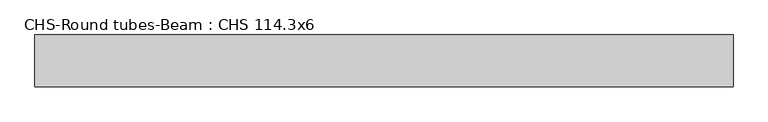
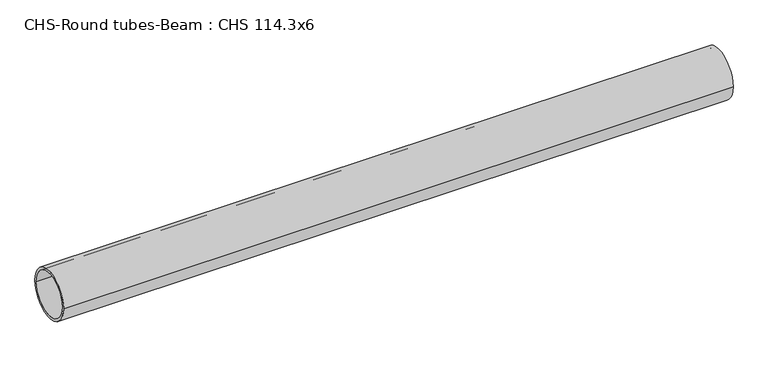
"""IFC4 building model written with IfcOpenShell, lengths in millimetres: beam geometry, CHS-Round tubes-Beam : CHS 114.3x6."""

from ifc_helpers import new_model, si_unit, point, frame, origin, origin_2d, place, context, project, spatial, circle_curve, trimmed, segment, composite_curve, outline, extrude, source, transform, mapped, element, save


def chs_round_tubes_beam_chs_114_3x6_736f7279(model_context):
    return source(origin(), model_context, "Body", "SweptSolid", [
        extrude(outline(composite_curve([segment(trimmed(circle_curve(origin_2d(), 57.15), [point((57.15, 0.0))], [point((-57.15, 0.0))], False, "CARTESIAN"), True, "CONTINUOUS"), segment(trimmed(circle_curve(origin_2d(), 57.15), [point((-57.15, 0.0))], [point((57.15, 0.0))], False, "CARTESIAN"), True, "CONTINUOUS")], self_intersect=False), holes=[composite_curve([segment(trimmed(circle_curve(origin_2d(), 51.15), [point((51.15, 0.0))], [point((-51.15, 0.0))], True, "CARTESIAN"), True, "CONTINUOUS"), segment(trimmed(circle_curve(origin_2d(), 51.15), [point((-51.15, 0.0))], [point((51.15, 0.0))], True, "CARTESIAN"), True, "CONTINUOUS")], self_intersect=False)]), frame((-762.0068891, 0.0, 0.0), z_axis=(1.0, 0.0, 0.0), x_axis=(0.0, 1.0, 0.0)), (0.0, 0.0, 1.0), 1541.7493461),
    ])


if __name__ == "__main__":
    model = new_model("IFC4")
    model_context = context("Model", 3, world=origin())
    ifc_project = project(units=[si_unit("LENGTHUNIT", "METRE", prefix="MILLI")], contexts=[model_context])
    site = spatial("IfcSite", under=ifc_project)
    building = spatial("IfcBuilding", under=site)
    placement = place(None, origin())
    chs_round_tubes_beam_chs_114_3x6_shape = chs_round_tubes_beam_chs_114_3x6_736f7279(model_context)
    element("IfcBeam", 1, ObjectType="CHS-Round tubes-Beam : CHS 114.3x6", at=placement, inside=building, context=model_context, shape_type="MappedRepresentation", body=[
        mapped(chs_round_tubes_beam_chs_114_3x6_shape, transform((0.0, 0.0, 0.0), x_axis=(1.0, 0.0, 0.0), y_axis=(0.0, 1.0, 0.0), z_axis=(0.0, 0.0, 1.0))),
    ])
    save(model, "model.ifc")
